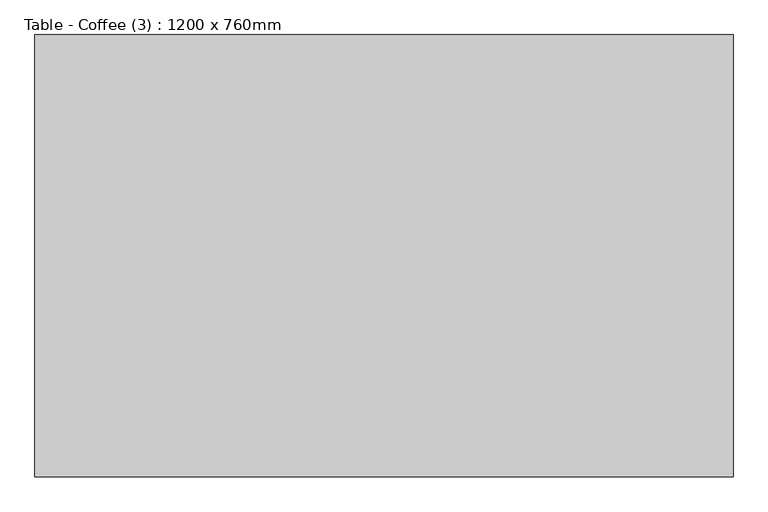
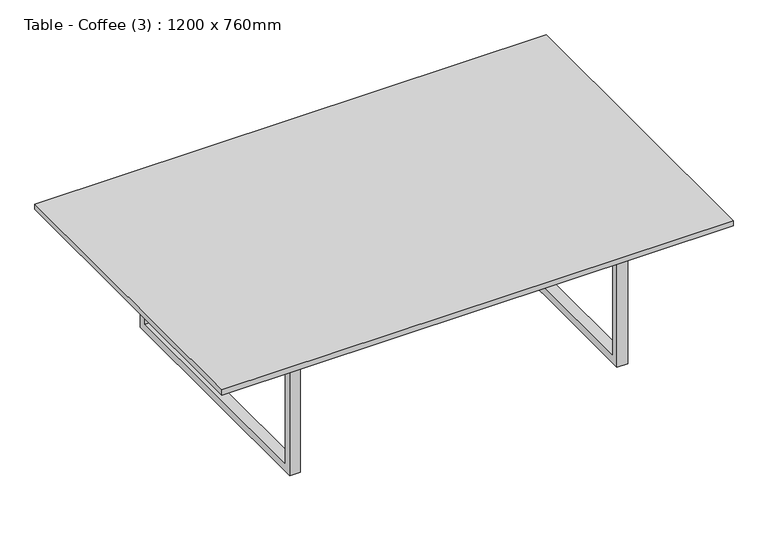
"""IFC4 building model written with IfcOpenShell, lengths in millimetres: furniture geometry, Table - Coffee (3) : 1200 x 760mm."""

from ifc_helpers import new_model, si_unit, frame, origin, place, context, project, spatial, polyline, outline, extrude, source, transform, mapped, element, save


def table_coffee_3_1200_x_760mm_c221341c(model_context):
    return source(origin(), model_context, "Body", "SweptSolid", [
        extrude(outline(polyline([(975.1336303, 378.1358318), (975.1336303, 359.0858318), (232.3336303, 359.0858318), (232.3336303, 378.1358318), (975.1336303, 378.1358318)])), frame((0.0, 0.0, 298.25), z_axis=(0.0, 0.0, 1.0), x_axis=(1.0, 0.0, 0.0)), (0.0, 0.0, 1.0), 19.05),
        extrude(outline(polyline([(64.8108318, 317.3), (672.4108318, 317.3), (672.4108318, 0.0), (64.8108318, 0.0), (64.8108318, 317.3)]), holes=[polyline([(83.8608318, 298.25), (83.8608318, 19.05), (653.3608318, 19.05), (653.3608318, 298.25), (83.8608318, 298.25)])]), frame((975.1336303, 0.0, 0.0), z_axis=(1.0, 0.0, 0.0), x_axis=(0.0, 1.0, 0.0)), (0.0, 0.0, 1.0), 25.4),
        extrude(outline(polyline([(64.8108318, 317.3), (672.4108318, 317.3), (672.4108318, 0.0), (64.8108318, 0.0), (64.8108318, 317.3)]), holes=[polyline([(83.8608318, 298.25), (83.8608318, 19.05), (653.3608318, 19.05), (653.3608318, 298.25), (83.8608318, 298.25)])]), frame((206.9336303, 0.0, 0.0), z_axis=(1.0, 0.0, 0.0), x_axis=(0.0, 1.0, 0.0)), (0.0, 0.0, 1.0), 25.4),
        extrude(outline(polyline([(1203.7336303, 748.6108318), (1203.7336303, -11.3891682), (3.7336303, -11.3891682), (3.7336303, 748.6108318), (1203.7336303, 748.6108318)])), frame((0.0, 0.0, 317.3), z_axis=(0.0, 0.0, 1.0), x_axis=(1.0, 0.0, 0.0)), (0.0, 0.0, 1.0), 12.7),
    ])


if __name__ == "__main__":
    model = new_model("IFC4")
    model_context = context("Model", 3, world=origin())
    ifc_project = project(units=[si_unit("LENGTHUNIT", "METRE", prefix="MILLI")], contexts=[model_context])
    site = spatial("IfcSite", under=ifc_project)
    building = spatial("IfcBuilding", under=site)
    placement = place(None, origin())
    table_coffee_3_1200_x_760mm_shape = table_coffee_3_1200_x_760mm_c221341c(model_context)
    element("IfcFurniture", 1, ObjectType="Table - Coffee (3) : 1200 x 760mm", at=placement, inside=building, context=model_context, shape_type="MappedRepresentation", body=[
        mapped(table_coffee_3_1200_x_760mm_shape, transform((0.0, 0.0, 0.0), x_axis=(1.0, 0.0, 0.0), y_axis=(0.0, 1.0, 0.0), z_axis=(0.0, 0.0, 1.0))),
    ])
    save(model, "model.ifc")
